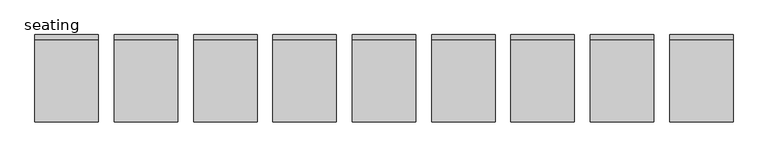
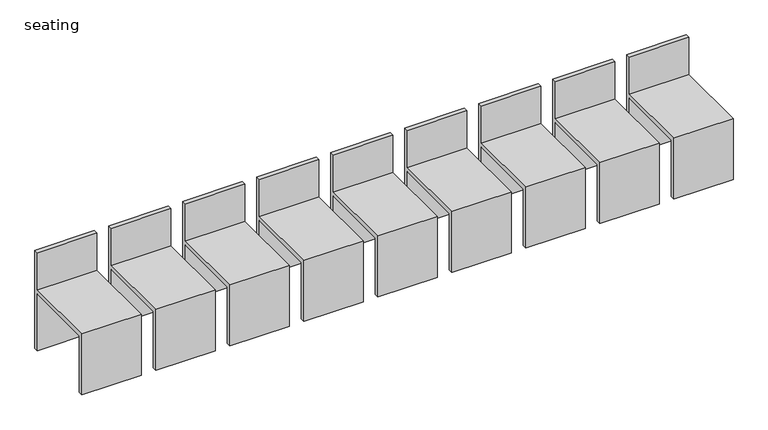
"""IFC4 building model written with IfcOpenShell, lengths in millimetres: railing geometry, seating."""

from ifc_helpers import new_model, si_unit, frame, origin, place, context, project, spatial, polyline, outline, extrude, source, transform, mapped, element, save


def seating_d9e4e012(model_context):
    return source(origin(), model_context, "Body", "SweptSolid", [
        extrude(outline(polyline([(1826.1313229, 900.0), (1796.1313229, 900.0), (1796.1313229, 1304.446213), (1306.1313229, 1304.446213), (1306.1313229, 900.0), (1276.1313229, 900.0), (1276.1313229, 1334.446213), (1796.1313229, 1334.446213), (1796.1313229, 1600.0), (1826.1313229, 1600.0), (1826.1313229, 900.0)])), frame((-5037.3231975, 0.0, 0.0), z_axis=(1.0, 0.0, 0.0), x_axis=(0.0, 1.0, 0.0)), (0.0, 0.0, 1.0), 400.0),
        extrude(outline(polyline([(1826.1313229, 900.0), (1796.1313229, 900.0), (1796.1313229, 1304.446213), (1306.1313229, 1304.446213), (1306.1313229, 900.0), (1276.1313229, 900.0), (1276.1313229, 1334.446213), (1796.1313229, 1334.446213), (1796.1313229, 1600.0), (1826.1313229, 1600.0), (1826.1313229, 900.0)])), frame((-5537.3231975, 0.0, 0.0), z_axis=(1.0, 0.0, 0.0), x_axis=(0.0, 1.0, 0.0)), (0.0, 0.0, 1.0), 400.0),
        extrude(outline(polyline([(1826.1313229, 900.0), (1796.1313229, 900.0), (1796.1313229, 1304.446213), (1306.1313229, 1304.446213), (1306.1313229, 900.0), (1276.1313229, 900.0), (1276.1313229, 1334.446213), (1796.1313229, 1334.446213), (1796.1313229, 1600.0), (1826.1313229, 1600.0), (1826.1313229, 900.0)])), frame((-6037.3231975, 0.0, 0.0), z_axis=(1.0, 0.0, 0.0), x_axis=(0.0, 1.0, 0.0)), (0.0, 0.0, 1.0), 400.0),
        extrude(outline(polyline([(1826.1313229, 900.0), (1796.1313229, 900.0), (1796.1313229, 1304.446213), (1306.1313229, 1304.446213), (1306.1313229, 900.0), (1276.1313229, 900.0), (1276.1313229, 1334.446213), (1796.1313229, 1334.446213), (1796.1313229, 1600.0), (1826.1313229, 1600.0), (1826.1313229, 900.0)])), frame((-6537.3231975, 0.0, 0.0), z_axis=(1.0, 0.0, 0.0), x_axis=(0.0, 1.0, 0.0)), (0.0, 0.0, 1.0), 400.0),
        extrude(outline(polyline([(1826.1313229, 900.0), (1796.1313229, 900.0), (1796.1313229, 1304.446213), (1306.1313229, 1304.446213), (1306.1313229, 900.0), (1276.1313229, 900.0), (1276.1313229, 1334.446213), (1796.1313229, 1334.446213), (1796.1313229, 1600.0), (1826.1313229, 1600.0), (1826.1313229, 900.0)])), frame((-7037.3231975, 0.0, 0.0), z_axis=(1.0, 0.0, 0.0), x_axis=(0.0, 1.0, 0.0)), (0.0, 0.0, 1.0), 400.0),
        extrude(outline(polyline([(1826.1313229, 900.0), (1796.1313229, 900.0), (1796.1313229, 1304.446213), (1306.1313229, 1304.446213), (1306.1313229, 900.0), (1276.1313229, 900.0), (1276.1313229, 1334.446213), (1796.1313229, 1334.446213), (1796.1313229, 1600.0), (1826.1313229, 1600.0), (1826.1313229, 900.0)])), frame((-7537.3231975, 0.0, 0.0), z_axis=(1.0, 0.0, 0.0), x_axis=(0.0, 1.0, 0.0)), (0.0, 0.0, 1.0), 400.0),
        extrude(outline(polyline([(1826.1313229, 900.0), (1796.1313229, 900.0), (1796.1313229, 1304.446213), (1306.1313229, 1304.446213), (1306.1313229, 900.0), (1276.1313229, 900.0), (1276.1313229, 1334.446213), (1796.1313229, 1334.446213), (1796.1313229, 1600.0), (1826.1313229, 1600.0), (1826.1313229, 900.0)])), frame((-8037.3231975, 0.0, 0.0), z_axis=(1.0, 0.0, 0.0), x_axis=(0.0, 1.0, 0.0)), (0.0, 0.0, 1.0), 400.0),
        extrude(outline(polyline([(1826.1313229, 900.0), (1796.1313229, 900.0), (1796.1313229, 1304.446213), (1306.1313229, 1304.446213), (1306.1313229, 900.0), (1276.1313229, 900.0), (1276.1313229, 1334.446213), (1796.1313229, 1334.446213), (1796.1313229, 1600.0), (1826.1313229, 1600.0), (1826.1313229, 900.0)])), frame((-8537.3231975, 0.0, 0.0), z_axis=(1.0, 0.0, 0.0), x_axis=(0.0, 1.0, 0.0)), (0.0, 0.0, 1.0), 400.0),
        extrude(outline(polyline([(1826.1313229, 900.0), (1796.1313229, 900.0), (1796.1313229, 1304.446213), (1306.1313229, 1304.446213), (1306.1313229, 900.0), (1276.1313229, 900.0), (1276.1313229, 1334.446213), (1796.1313229, 1334.446213), (1796.1313229, 1600.0), (1826.1313229, 1600.0), (1826.1313229, 900.0)])), frame((-9037.3231975, 0.0, 0.0), z_axis=(1.0, 0.0, 0.0), x_axis=(0.0, 1.0, 0.0)), (0.0, 0.0, 1.0), 400.0),
    ])


if __name__ == "__main__":
    model = new_model("IFC4")
    model_context = context("Model", 3, world=origin())
    ifc_project = project(units=[si_unit("LENGTHUNIT", "METRE", prefix="MILLI")], contexts=[model_context])
    site = spatial("IfcSite", under=ifc_project)
    building = spatial("IfcBuilding", under=site)
    placement = place(None, origin())
    seating_shape = seating_d9e4e012(model_context)
    element("IfcRailing", 1, ObjectType="seating", at=placement, inside=building, context=model_context, shape_type="MappedRepresentation", body=[
        mapped(seating_shape, transform((0.0, 0.0, 0.0), x_axis=(1.0, 0.0, 0.0), y_axis=(0.0, 1.0, 0.0), z_axis=(0.0, 0.0, 1.0))),
    ])
    save(model, "model.ifc")
